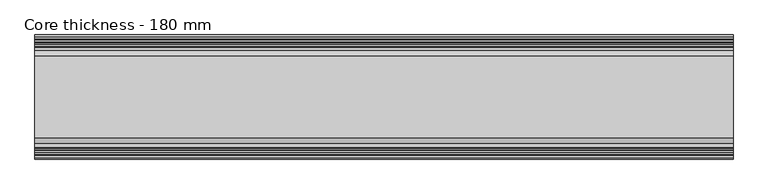
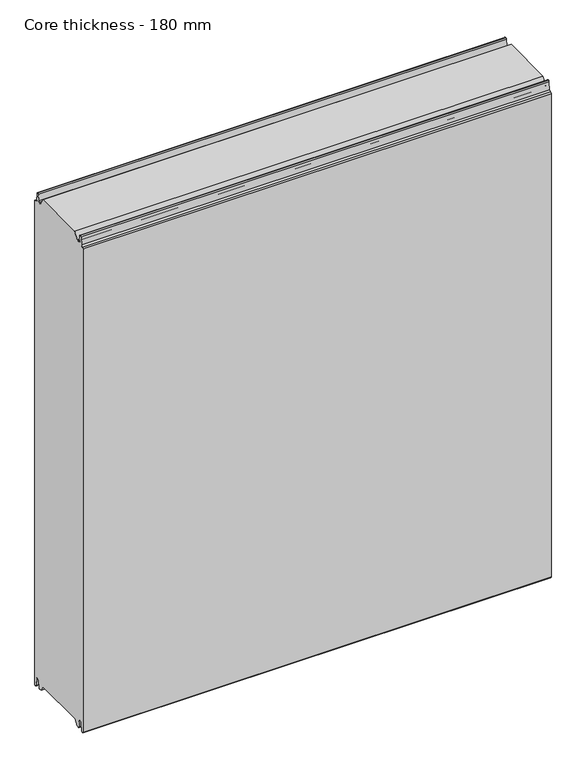
"""IFC4 building model written with IfcOpenShell, lengths in millimetres: plate geometry, Core thickness - 180 mm."""

from ifc_helpers import new_model, si_unit, frame, origin, place, context, project, spatial, polyline, circle_curve, source, transform, mapped, element, save
from ifc_brep_helpers import plane_surface, cylinder_surface, revolved_surface, advanced_brep


def core_thickness_180_mm_a0e70f2c(model_context):
    return source(origin(), model_context, "Body", "AdvancedBrep", [
        advanced_brep(
        [(500.0000002, -149.873448, 15.0417681), (500.0000002, -30.126552, 15.0417681), (500.0000002, -23.4086055, 3.0684055), (500.0000002, -17.4169005, 3.0684055), (500.0000002, -19.6169005, 5.265779), (500.0000002, -18.8169005, 5.265779), (500.0000002, -16.0235822, 5.1291629), (500.0000002, -14.6379549, 19.2608832), (500.0000002, -10.8223285, 22.6899182), (500.0000002, -7.0067021, 19.2608832), (500.0000002, -5.3893281, 2.7656275), (500.0000002, -0.8003051, 2.9900682), (500.0000002, -0.8, 1093.8000005), (500.0000002, -3.3660185, 1096.1942726), (500.0000002, -6.8790665, 1099.1779769), (500.0000002, -8.5415667, 1116.1334653), (500.0000002, -10.8223285, 1118.1999998), (500.0000002, -13.1030903, 1116.1334653), (500.0000002, -14.4357929, 1102.5415123), (500.0000002, -17.0233841, 1100.1952279), (500.0000002, -18.1003051, 1100.1952279), (500.0000002, -18.7003051, 1099.5952279), (500.0000002, -18.7003051, 1098.4952279), (500.0000002, -19.5003051, 1098.4952279), (500.0000002, -19.5003051, 1099.5952279), (500.0000002, -18.1003051, 1100.9952279), (500.0000002, -19.5003051, 1100.9952279), (500.0000002, -23.1062917, 1100.9952279), (500.0000002, -31.1628062, 1115.044651), (500.0000002, -148.7531937, 1115.044651), (500.0000002, -156.8937083, 1100.9952279), (500.0000002, -160.4996949, 1100.9952279), (500.0000002, -161.8996949, 1100.9952279), (500.0000002, -160.4996949, 1099.5952279), (500.0000002, -160.4996949, 1098.4952279), (500.0000002, -161.2996949, 1098.4952279), (500.0000002, -161.2996949, 1099.5952279), (500.0000002, -161.8996949, 1100.1952279), (500.0000002, -162.9766159, 1100.1952279), (500.0000002, -165.5642071, 1102.5415123), (500.0000002, -166.8969097, 1116.1334653), (500.0000002, -169.1776715, 1118.1999998), (500.0000002, -171.4584333, 1116.1334653), (500.0000002, -173.1209335, 1099.1779769), (500.0000002, -176.6330399, 1096.2078763), (500.0000002, -179.1996949, 1093.8000005), (500.0000002, -179.2, 2.9900682), (500.0000002, -174.6106719, 2.7656275), (500.0000002, -172.9932979, 19.2608832), (500.0000002, -169.1776715, 22.6899182), (500.0000002, -165.3620451, 19.2608832), (500.0000002, -163.9764178, 5.1291629), (500.0000002, -161.1830995, 5.265779), (500.0000002, -160.3830995, 5.265779), (500.0000002, -162.5830995, 3.065779), (500.0000002, -156.5913945, 3.0684055), (-500.0000002, -156.8937083, 1100.9952279), (-500.0000002, -148.7531937, 1115.044651), (-500.0000002, -31.1628062, 1115.044651), (-500.0000002, -23.1062917, 1100.9952279), (-500.0000002, -19.5003051, 1100.9952279), (-500.0000002, -18.1003051, 1100.9952279), (-500.0000002, -19.5003051, 1099.5952279), (-500.0000002, -19.5003051, 1098.4952279), (-500.0000002, -18.7003051, 1098.4952279), (-500.0000002, -18.7003051, 1099.5952279), (-500.0000002, -18.1003051, 1100.1952279), (-500.0000002, -17.0233841, 1100.1952279), (-500.0000002, -14.4357929, 1102.5415123), (-500.0000002, -13.1030903, 1116.1334653), (-500.0000002, -10.8223285, 1118.1999998), (-500.0000002, -8.5415667, 1116.1334653), (-500.0000002, -6.8790665, 1099.1779769), (-500.0000002, -3.3669601, 1096.2078763), (-500.0000002, -0.8003051, 1093.8000005), (-500.0000002, -0.8, 2.9900682), (-500.0000002, -5.3893281, 2.7656275), (-500.0000002, -7.0067021, 19.2608832), (-500.0000002, -10.8223285, 22.6899182), (-500.0000002, -14.6379549, 19.2608832), (-500.0000002, -16.0235822, 5.1291629), (-500.0000002, -18.8169005, 5.265779), (-500.0000002, -19.6169005, 5.265779), (-500.0000002, -17.4169005, 3.065779), (-500.0000002, -23.4086055, 3.0684055), (-500.0000002, -30.126552, 15.0417681), (-500.0000002, -149.873448, 15.0417681), (-500.0000002, -156.5913945, 3.0684055), (-500.0000002, -162.5830995, 3.0684055), (-500.0000002, -160.3830995, 5.265779), (-500.0000002, -161.1830995, 5.265779), (-500.0000002, -163.9764178, 5.1291629), (-500.0000002, -165.3620451, 19.2608832), (-500.0000002, -169.1776715, 22.6899182), (-500.0000002, -172.9932979, 19.2608832), (-500.0000002, -174.6106719, 2.7656275), (-500.0000002, -179.1996949, 2.9900682), (-500.0000002, -179.2, 1093.8000005), (-500.0000002, -176.6339815, 1096.1942726), (-500.0000002, -173.1209335, 1099.1779769), (-500.0000002, -171.4584333, 1116.1334653), (-500.0000002, -169.1776715, 1118.1999998), (-500.0000002, -166.8969097, 1116.1334653), (-500.0000002, -165.5642071, 1102.5415123), (-500.0000002, -162.9766159, 1100.1952279), (-500.0000002, -161.8996949, 1100.1952279), (-500.0000002, -161.2996949, 1099.5952279), (-500.0000002, -161.2996949, 1098.4952279), (-500.0000002, -160.4996949, 1098.4952279), (-500.0000002, -160.4996949, 1099.5952279), (-500.0000002, -161.8996949, 1100.9952279), (-500.0000002, -160.4996949, 1100.9952279)],
        [
            (0, 1),
            (1, 2),
            (2, 3),
            (3, 4, circle_curve(frame((500.0000002, -17.4169005, 5.265779), z_axis=(-1.0, 0.0, 0.0), x_axis=(0.0, 0.0, -1.0)), 2.2)),
            (4, 5),
            (5, 6, circle_curve(frame((500.0000002, -17.4169005, 5.265779), z_axis=(1.0, 0.0, 0.0), x_axis=(0.0, 0.0, -1.0)), 1.4)),
            (6, 7),
            (7, 8, circle_curve(frame((500.0000002, -10.8560907, 18.8900682), z_axis=(-1.0, 0.0, 0.0), x_axis=(0.0, 0.0, -1.0)), 3.8)),
            (8, 9, circle_curve(frame((500.0000002, -10.7885662, 18.8900682), z_axis=(-1.0, 0.0, 0.0), x_axis=(0.0, 0.0, -1.0)), 3.8)),
            (9, 10),
            (10, 11, circle_curve(frame((500.0000002, -3.1003051, 2.9900682), z_axis=(1.0, 0.0, 0.0), x_axis=(0.0, 0.0, -1.0)), 2.3)),
            (11, 12),
            (12, 13, circle_curve(frame((500.0000002, -3.2003051, 1093.8000005), z_axis=(1.0, 0.0, 0.0), x_axis=(0.0, 0.0, -1.0)), 2.4)),
            (13, 14, circle_curve(frame((500.0000002, -3.5948161, 1099.5000005), z_axis=(-1.0, 0.0, 0.0), x_axis=(0.0, 0.0, -1.0)), 3.3)),
            (14, 15),
            (15, 16, circle_curve(frame((500.0000002, -10.8206374, 1115.9100005), z_axis=(1.0, 0.0, 0.0), x_axis=(0.0, 0.0, -1.0)), 2.29)),
            (16, 17, circle_curve(frame((500.0000002, -10.8240195, 1115.9100005), z_axis=(1.0, 0.0, 0.0), x_axis=(0.0, 0.0, -1.0)), 2.29)),
            (17, 18),
            (18, 19, circle_curve(frame((500.0000002, -17.0233841, 1102.7952279), z_axis=(-1.0, 0.0, 0.0), x_axis=(0.0, 0.0, -1.0)), 2.6)),
            (19, 20),
            (20, 21, circle_curve(frame((500.0000002, -18.1003051, 1099.5952279), z_axis=(1.0, 0.0, 0.0), x_axis=(0.0, 0.0, -1.0)), 0.6)),
            (21, 22),
            (22, 23),
            (23, 24),
            (24, 25, circle_curve(frame((500.0000002, -18.1003051, 1099.5952279), z_axis=(-1.0, 0.0, 0.0), x_axis=(0.0, 0.0, -1.0)), 1.4)),
            (25, 26),
            (26, 27),
            (27, 28),
            (28, 29),
            (29, 30),
            (30, 31),
            (31, 32),
            (32, 33, circle_curve(frame((500.0000002, -161.8996949, 1099.5952279), z_axis=(-1.0, 0.0, 0.0), x_axis=(0.0, 0.0, -1.0)), 1.4)),
            (33, 34),
            (34, 35),
            (35, 36),
            (36, 37, circle_curve(frame((500.0000002, -161.8996949, 1099.5952279), z_axis=(1.0, 0.0, 0.0), x_axis=(0.0, 0.0, -1.0)), 0.6)),
            (37, 38),
            (38, 39, circle_curve(frame((500.0000002, -162.9766159, 1102.7952279), z_axis=(-1.0, 0.0, 0.0), x_axis=(0.0, 0.0, -1.0)), 2.6)),
            (39, 40),
            (40, 41, circle_curve(frame((500.0000002, -169.1759805, 1115.9100005), z_axis=(1.0, 0.0, 0.0), x_axis=(0.0, 0.0, -1.0)), 2.29)),
            (41, 42, circle_curve(frame((500.0000002, -169.1793626, 1115.9100005), z_axis=(1.0, 0.0, 0.0), x_axis=(0.0, 0.0, -1.0)), 2.29)),
            (42, 43),
            (43, 44, circle_curve(frame((500.0000002, -176.4051839, 1099.5000005), z_axis=(-1.0, 0.0, 0.0), x_axis=(0.0, 0.0, -1.0)), 3.3)),
            (44, 45, circle_curve(frame((500.0000002, -176.7996949, 1093.8000005), z_axis=(1.0, 0.0, 0.0), x_axis=(0.0, 0.0, -1.0)), 2.4)),
            (45, 46),
            (46, 47, circle_curve(frame((500.0000002, -176.8996949, 2.9900682), z_axis=(1.0, 0.0, 0.0), x_axis=(0.0, 0.0, -1.0)), 2.3)),
            (47, 48),
            (48, 49, circle_curve(frame((500.0000002, -169.2114338, 18.8900682), z_axis=(-1.0, 0.0, 0.0), x_axis=(0.0, 0.0, -1.0)), 3.8)),
            (49, 50, circle_curve(frame((500.0000002, -169.1439093, 18.8900682), z_axis=(-1.0, 0.0, 0.0), x_axis=(0.0, 0.0, -1.0)), 3.8)),
            (50, 51),
            (51, 52, circle_curve(frame((500.0000002, -162.5830995, 5.265779), z_axis=(1.0, 0.0, 0.0), x_axis=(0.0, 0.0, -1.0)), 1.4)),
            (52, 53),
            (53, 54, circle_curve(frame((500.0000002, -162.5830995, 5.265779), z_axis=(-1.0, 0.0, 0.0), x_axis=(0.0, 0.0, -1.0)), 2.2)),
            (54, 55),
            (55, 0),
            (56, 57),
            (57, 58),
            (58, 59),
            (59, 60),
            (60, 61),
            (61, 62, circle_curve(frame((-500.0000002, -18.1003051, 1099.5952279), z_axis=(1.0, 0.0, 0.0), x_axis=(0.0, 0.0, -1.0)), 1.4)),
            (62, 63),
            (63, 64),
            (64, 65),
            (65, 66, circle_curve(frame((-500.0000002, -18.1003051, 1099.5952279), z_axis=(-1.0, 0.0, 0.0), x_axis=(0.0, 0.0, -1.0)), 0.6)),
            (66, 67),
            (67, 68, circle_curve(frame((-500.0000002, -17.0233841, 1102.7952279), z_axis=(1.0, 0.0, 0.0), x_axis=(0.0, 0.0, -1.0)), 2.6)),
            (68, 69),
            (69, 70, circle_curve(frame((-500.0000002, -10.8240195, 1115.9100005), z_axis=(-1.0, 0.0, 0.0), x_axis=(0.0, 0.0, -1.0)), 2.29)),
            (70, 71, circle_curve(frame((-500.0000002, -10.8206374, 1115.9100005), z_axis=(-1.0, 0.0, 0.0), x_axis=(0.0, 0.0, -1.0)), 2.29)),
            (71, 72),
            (72, 73, circle_curve(frame((-500.0000002, -3.5948161, 1099.5000005), z_axis=(1.0, 0.0, 0.0), x_axis=(0.0, 0.0, -1.0)), 3.3)),
            (73, 74, circle_curve(frame((-500.0000002, -3.2003051, 1093.8000005), z_axis=(-1.0, 0.0, 0.0), x_axis=(0.0, 0.0, -1.0)), 2.4)),
            (74, 75),
            (75, 76, circle_curve(frame((-500.0000002, -3.1003051, 2.9900682), z_axis=(-1.0, 0.0, 0.0), x_axis=(0.0, 0.0, -1.0)), 2.3)),
            (76, 77),
            (77, 78, circle_curve(frame((-500.0000002, -10.7885662, 18.8900682), z_axis=(1.0, 0.0, 0.0), x_axis=(0.0, 0.0, -1.0)), 3.8)),
            (78, 79, circle_curve(frame((-500.0000002, -10.8560907, 18.8900682), z_axis=(1.0, 0.0, 0.0), x_axis=(0.0, 0.0, -1.0)), 3.8)),
            (79, 80),
            (80, 81, circle_curve(frame((-500.0000002, -17.4169005, 5.265779), z_axis=(-1.0, 0.0, 0.0), x_axis=(0.0, 0.0, -1.0)), 1.4)),
            (81, 82),
            (82, 83, circle_curve(frame((-500.0000002, -17.4169005, 5.265779), z_axis=(1.0, 0.0, 0.0), x_axis=(0.0, 0.0, -1.0)), 2.2)),
            (83, 84),
            (84, 85),
            (85, 86),
            (86, 87),
            (87, 88),
            (88, 89, circle_curve(frame((-500.0000002, -162.5830995, 5.265779), z_axis=(1.0, 0.0, 0.0), x_axis=(0.0, 0.0, -1.0)), 2.2)),
            (89, 90),
            (90, 91, circle_curve(frame((-500.0000002, -162.5830995, 5.265779), z_axis=(-1.0, 0.0, 0.0), x_axis=(0.0, 0.0, -1.0)), 1.4)),
            (91, 92),
            (92, 93, circle_curve(frame((-500.0000002, -169.1439093, 18.8900682), z_axis=(1.0, 0.0, 0.0), x_axis=(0.0, 0.0, -1.0)), 3.8)),
            (93, 94, circle_curve(frame((-500.0000002, -169.2114338, 18.8900682), z_axis=(1.0, 0.0, 0.0), x_axis=(0.0, 0.0, -1.0)), 3.8)),
            (94, 95),
            (95, 96, circle_curve(frame((-500.0000002, -176.8996949, 2.9900682), z_axis=(-1.0, 0.0, 0.0), x_axis=(0.0, 0.0, -1.0)), 2.3)),
            (96, 97),
            (97, 98, circle_curve(frame((-500.0000002, -176.7996949, 1093.8000005), z_axis=(-1.0, 0.0, 0.0), x_axis=(0.0, 0.0, -1.0)), 2.4)),
            (98, 99, circle_curve(frame((-500.0000002, -176.4051839, 1099.5000005), z_axis=(1.0, 0.0, 0.0), x_axis=(0.0, 0.0, -1.0)), 3.3)),
            (99, 100),
            (100, 101, circle_curve(frame((-500.0000002, -169.1793626, 1115.9100005), z_axis=(-1.0, 0.0, 0.0), x_axis=(0.0, 0.0, -1.0)), 2.29)),
            (101, 102, circle_curve(frame((-500.0000002, -169.1759805, 1115.9100005), z_axis=(-1.0, 0.0, 0.0), x_axis=(0.0, 0.0, -1.0)), 2.29)),
            (102, 103),
            (103, 104, circle_curve(frame((-500.0000002, -162.9766159, 1102.7952279), z_axis=(1.0, 0.0, 0.0), x_axis=(0.0, 0.0, -1.0)), 2.6)),
            (104, 105),
            (105, 106, circle_curve(frame((-500.0000002, -161.8996949, 1099.5952279), z_axis=(-1.0, 0.0, 0.0), x_axis=(0.0, 0.0, -1.0)), 0.6)),
            (106, 107),
            (107, 108),
            (108, 109),
            (109, 110, circle_curve(frame((-500.0000002, -161.8996949, 1099.5952279), z_axis=(1.0, 0.0, 0.0), x_axis=(0.0, 0.0, -1.0)), 1.4)),
            (110, 111),
            (111, 56),
            (30, 56),
            (110, 32),
            (29, 57),
            (28, 58),
            (27, 59),
            (25, 61),
            (1, 85),
            (84, 2),
            (0, 86),
            (55, 87),
            (83, 3),
            (54, 88),
            (109, 33),
            (108, 34),
            (107, 35),
            (106, 36),
            (105, 37),
            (104, 38),
            (103, 39),
            (102, 40),
            (101, 41),
            (100, 42),
            (99, 43),
            (98, 44),
            (97, 45),
            (96, 46),
            (95, 47),
            (94, 48),
            (93, 49),
            (92, 50),
            (91, 51),
            (90, 52),
            (89, 53),
            (74, 12),
            (11, 75),
            (73, 13),
            (72, 14),
            (71, 15),
            (70, 16),
            (69, 17),
            (68, 18),
            (67, 19),
            (66, 20),
            (65, 21),
            (64, 22),
            (63, 23),
            (62, 24),
            (82, 4),
            (81, 5),
            (80, 6),
            (79, 7),
            (78, 8),
            (77, 9),
            (76, 10),
        ],
        [
            plane_surface(frame((500.0000002, 0.0, 0.0), z_axis=(1.0, 0.0, 0.0), x_axis=(0.0, -1.0, 0.0))),
            plane_surface(frame((-500.0000002, 0.0, 0.0), z_axis=(-1.0, 0.0, 0.0), x_axis=(0.0, -1.0, 0.0))),
            plane_surface(frame((500.0000002, -156.8937083, 1100.9952279), z_axis=(0.0, 0.0, 1.0), x_axis=(-1.0, 0.0, 0.0))),
            plane_surface(frame((500.0000002, -148.7531937, 1115.044651), z_axis=(0.0, -0.8652489672717159, 0.5013424225369615), x_axis=(-1.0, 0.0, 0.0))),
            plane_surface(frame((500.0000002, -31.1628062, 1115.044651), z_axis=(0.0, 0.0, 1.0), x_axis=(-1.0, 0.0, 0.0))),
            plane_surface(frame((500.0000002, -23.1062917, 1100.9952279), z_axis=(0.0, 0.8674901459133322, 0.4974543664933155), x_axis=(-1.0, 0.0, 0.0))),
            plane_surface(frame((500.0000002, -17.0229218, 1100.9952279), z_axis=(0.0, 0.0, 1.0), x_axis=(-1.0, 0.0, 0.0))),
            plane_surface(frame((500.0000002, -30.126552, 15.0417681), z_axis=(0.0, -0.8721062992196836, -0.4893164649399687), x_axis=(-1.0, 0.0, 0.0))),
            plane_surface(frame((500.0000002, -149.873448, 15.0417681), z_axis=(0.0, 0.0, -1.0), x_axis=(-1.0, 0.0, 0.0))),
            plane_surface(frame((500.0000002, -156.8190247, 2.6627014), z_axis=(0.0, 0.8721062992196852, -0.48931646493996606), x_axis=(-1.0, 0.0, 0.0))),
            plane_surface(frame((-500.0000002, -162.5830995, 3.0684055), z_axis=(0.0, 0.0, -1.0), x_axis=(1.0, 0.0, 0.0))),
            revolved_surface(polyline([(500.0000002, -161.8996949, 1098.1952279), (-500.00000020000004, -161.8996949, 1098.1952279)]), (630.0000002, -161.8996949, 1099.5952279), (1.0, 0.0, 0.0)),
            plane_surface(frame((630.0000002, -160.4996949, 1098.4952279), z_axis=(0.0, -1.0, 0.0), x_axis=(-1.0, 0.0, 0.0))),
            plane_surface(frame((630.0000002, -161.2996949, 1098.4952279), z_axis=(0.0, 0.0, 1.0), x_axis=(-1.0, 0.0, 0.0))),
            plane_surface(frame((630.0000002, -161.2996949, 1099.5952279), z_axis=(0.0, 1.0, 0.0), x_axis=(-1.0, 0.0, 0.0))),
            cylinder_surface(frame((630.0000002, -161.8996949, 1099.5952279), z_axis=(-1.0, 0.0, 0.0), x_axis=(0.0, 0.0, -1.0)), 0.6),
            plane_surface(frame((630.0000002, -162.9766159, 1100.1952279), z_axis=(0.0, 0.0, 1.0), x_axis=(-1.0, 0.0, 0.0))),
            revolved_surface(polyline([(500.0000002, -162.9766159, 1100.1952279000002), (-500.00000020000004, -162.9766159, 1100.1952279000002)]), (630.0000002, -162.9766159, 1102.7952279), (1.0, 0.0, 0.0)),
            plane_surface(frame((630.0000002, -166.8969097, 1116.1334653), z_axis=(0.0, 0.9952273999818314, 0.09758289975914705), x_axis=(-1.0, 0.0, 0.0))),
            cylinder_surface(frame((630.0000002, -169.1759805, 1115.9100005), z_axis=(-1.0, 0.0, 0.0), x_axis=(0.0, 0.0, -1.0)), 2.29),
            cylinder_surface(frame((630.0000002, -169.1793626, 1115.9100005), z_axis=(-1.0, 0.0, 0.0), x_axis=(0.0, 0.0, -1.0)), 2.29),
            plane_surface(frame((630.0000002, -173.1209335, 1099.1779769), z_axis=(0.0, -0.9952273999818317, 0.09758289975914436), x_axis=(-1.0, 0.0, 0.0))),
            revolved_surface(polyline([(500.0000002, -176.4051839, 1096.2000005), (-500.00000020000004, -176.4051839, 1096.2000005)]), (630.0000002, -176.4051839, 1099.5000005), (1.0, 0.0, 0.0)),
            cylinder_surface(frame((630.0000002, -176.7996949, 1093.8000005), z_axis=(-1.0, 0.0, 0.0), x_axis=(0.0, 0.0, -1.0)), 2.4),
            plane_surface(frame((630.0000002, -179.2, 2.9900682), z_axis=(0.0, -1.0, 0.0), x_axis=(-1.0, 0.0, 0.0))),
            cylinder_surface(frame((630.0000002, -176.8996949, 2.9900682), z_axis=(-1.0, 0.0, 0.0), x_axis=(0.0, 0.0, -1.0)), 2.3),
            plane_surface(frame((630.0000002, -172.9932979, 19.2608832), z_axis=(0.0, 0.9952273999818314, -0.09758289975914787), x_axis=(-1.0, 0.0, 0.0))),
            revolved_surface(polyline([(500.0000002, -169.2114338, 15.090068200000001), (-500.00000020000004, -169.2114338, 15.090068200000001)]), (630.0000002, -169.2114338, 18.8900682), (1.0, 0.0, 0.0)),
            revolved_surface(polyline([(500.0000002, -169.1439093, 15.090068200000001), (-500.00000020000004, -169.1439093, 15.090068200000001)]), (630.0000002, -169.1439093, 18.8900682), (1.0, 0.0, 0.0)),
            plane_surface(frame((630.0000002, -163.9764178, 5.1291629), z_axis=(0.0, -0.9952273999818297, -0.09758289975916531), x_axis=(-1.0, 0.0, 0.0))),
            cylinder_surface(frame((630.0000002, -162.5830995, 5.265779), z_axis=(-1.0, 0.0, 0.0), x_axis=(0.0, 0.0, -1.0)), 1.4),
            plane_surface(frame((630.0000002, -160.3830995, 5.265779), z_axis=(0.0, 0.0, -1.0), x_axis=(-1.0, 0.0, 0.0))),
            revolved_surface(polyline([(500.0000002, -162.5830995, 3.065779), (-500.00000020000004, -162.5830995, 3.065779)]), (630.0000002, -162.5830995, 5.265779), (1.0, 0.0, 0.0)),
            plane_surface(frame((630.0000002, -0.8, 1093.8000005), z_axis=(0.0, 1.0, 0.0), x_axis=(-1.0, 0.0, 0.0))),
            cylinder_surface(frame((630.0000002, -3.2003051, 1093.8000005), z_axis=(-1.0, 0.0, 0.0), x_axis=(0.0, 0.0, -1.0)), 2.4),
            revolved_surface(polyline([(500.0000002, -3.5948161, 1096.2000005), (-500.00000020000004, -3.5948161, 1096.2000005)]), (630.0000002, -3.5948161, 1099.5000005), (1.0, 0.0, 0.0)),
            plane_surface(frame((630.0000002, -8.5415667, 1116.1334653), z_axis=(0.0, 0.9952273999818317, 0.09758289975914436), x_axis=(-1.0, 0.0, 0.0))),
            cylinder_surface(frame((630.0000002, -10.8206374, 1115.9100005), z_axis=(-1.0, 0.0, 0.0), x_axis=(0.0, 0.0, -1.0)), 2.29),
            cylinder_surface(frame((630.0000002, -10.8240195, 1115.9100005), z_axis=(-1.0, 0.0, 0.0), x_axis=(0.0, 0.0, -1.0)), 2.29),
            plane_surface(frame((630.0000002, -14.4357929, 1102.5415123), z_axis=(0.0, -0.9952273999818314, 0.09758289975914705), x_axis=(-1.0, 0.0, 0.0))),
            revolved_surface(polyline([(500.0000002, -17.0233841, 1100.1952279000002), (-500.00000020000004, -17.0233841, 1100.1952279000002)]), (630.0000002, -17.0233841, 1102.7952279), (1.0, 0.0, 0.0)),
            plane_surface(frame((630.0000002, -18.1003051, 1100.1952279), z_axis=(0.0, 0.0, 1.0), x_axis=(-1.0, 0.0, 0.0))),
            cylinder_surface(frame((630.0000002, -18.1003051, 1099.5952279), z_axis=(-1.0, 0.0, 0.0), x_axis=(0.0, 0.0, -1.0)), 0.6),
            plane_surface(frame((630.0000002, -18.7003051, 1098.4952279), z_axis=(0.0, -1.0, 0.0), x_axis=(-1.0, 0.0, 0.0))),
            plane_surface(frame((630.0000002, -19.5003051, 1098.4952279), z_axis=(0.0, 0.0, 1.0), x_axis=(-1.0, 0.0, 0.0))),
            plane_surface(frame((630.0000002, -19.5003051, 1099.5952279), z_axis=(0.0, 1.0, 0.0), x_axis=(-1.0, 0.0, 0.0))),
            revolved_surface(polyline([(500.0000002, -18.1003051, 1098.1952279), (-500.00000020000004, -18.1003051, 1098.1952279)]), (630.0000002, -18.1003051, 1099.5952279), (1.0, 0.0, 0.0)),
            revolved_surface(polyline([(500.0000002, -17.4169005, 3.065779), (-500.00000020000004, -17.4169005, 3.065779)]), (630.0000002, -17.4169005, 5.265779), (1.0, 0.0, 0.0)),
            plane_surface(frame((630.0000002, -18.8169005, 5.265779), z_axis=(0.0, 0.0, -1.0), x_axis=(-1.0, 0.0, 0.0))),
            cylinder_surface(frame((630.0000002, -17.4169005, 5.265779), z_axis=(-1.0, 0.0, 0.0), x_axis=(0.0, 0.0, -1.0)), 1.4),
            plane_surface(frame((630.0000002, -14.6379549, 19.2608832), z_axis=(0.0, 0.9952273999818297, -0.09758289975916531), x_axis=(-1.0, 0.0, 0.0))),
            revolved_surface(polyline([(500.0000002, -10.8560907, 15.090068200000001), (-500.00000020000004, -10.8560907, 15.090068200000001)]), (630.0000002, -10.8560907, 18.8900682), (1.0, 0.0, 0.0)),
            revolved_surface(polyline([(500.0000002, -10.7885662, 15.090068200000001), (-500.00000020000004, -10.7885662, 15.090068200000001)]), (630.0000002, -10.7885662, 18.8900682), (1.0, 0.0, 0.0)),
            plane_surface(frame((630.0000002, -5.3893281, 2.7656275), z_axis=(0.0, -0.9952273999818314, -0.09758289975914787), x_axis=(-1.0, 0.0, 0.0))),
            cylinder_surface(frame((630.0000002, -3.1003051, 2.9900682), z_axis=(-1.0, 0.0, 0.0), x_axis=(0.0, 0.0, -1.0)), 2.3),
        ],
        [
            (0, [[1, 2, 3, 4, 5, 6, 7, 8, 9, 10, 11, 12, 13, 14, 15, 16, 17, 18, 19, 20, 21, 22, 23, 24, 25, 26, 27, 28, 29, 30, 31, 32, 33, 34, 35, 36, 37, 38, 39, 40, 41, 42, 43, 44, 45, 46, 47, 48, 49, 50, 51, 52, 53, 54, 55, 56]]),
            (1, [[57, 58, 59, 60, 61, 62, 63, 64, 65, 66, 67, 68, 69, 70, 71, 72, 73, 74, 75, 76, 77, 78, 79, 80, 81, 82, 83, 84, 85, 86, 87, 88, 89, 90, 91, 92, 93, 94, 95, 96, 97, 98, 99, 100, 101, 102, 103, 104, 105, 106, 107, 108, 109, 110, 111, 112]]),
            (2, [[113, -112, -111, 114, -32, -31]]),
            (3, [[-30, 115, -57, -113]]),
            (4, [[-29, 116, -58, -115]]),
            (5, [[-28, 117, -59, -116]]),
            (6, [[-117, -27, -26, 118, -61, -60]]),
            (7, [[119, -85, 120, -2]]),
            (8, [[-1, 121, -86, -119]]),
            (9, [[-121, -56, 122, -87]]),
            (10, [[-3, -120, -84, 123]]),
            (10, [[-55, 124, -88, -122]]),
            (11, [[125, -33, -114, -110]]),
            (12, [[-125, -109, 126, -34]]),
            (13, [[-126, -108, 127, -35]]),
            (14, [[-127, -107, 128, -36]]),
            (15, [[-128, -106, 129, -37]]),
            (16, [[-129, -105, 130, -38]]),
            (17, [[-130, -104, 131, -39]]),
            (18, [[-131, -103, 132, -40]]),
            (19, [[-132, -102, 133, -41]]),
            (20, [[-133, -101, 134, -42]]),
            (21, [[-134, -100, 135, -43]]),
            (22, [[-135, -99, 136, -44]]),
            (23, [[-136, -98, 137, -45]]),
            (24, [[-137, -97, 138, -46]]),
            (25, [[-138, -96, 139, -47]]),
            (26, [[-139, -95, 140, -48]]),
            (27, [[-140, -94, 141, -49]]),
            (28, [[-141, -93, 142, -50]]),
            (29, [[-142, -92, 143, -51]]),
            (30, [[-143, -91, 144, -52]]),
            (31, [[-144, -90, 145, -53]]),
            (32, [[-145, -89, -124, -54]]),
            (33, [[146, -12, 147, -75]]),
            (34, [[-146, -74, 148, -13]]),
            (35, [[-148, -73, 149, -14]]),
            (36, [[-149, -72, 150, -15]]),
            (37, [[-150, -71, 151, -16]]),
            (38, [[-151, -70, 152, -17]]),
            (39, [[-152, -69, 153, -18]]),
            (40, [[-153, -68, 154, -19]]),
            (41, [[-154, -67, 155, -20]]),
            (42, [[-155, -66, 156, -21]]),
            (43, [[-156, -65, 157, -22]]),
            (44, [[-157, -64, 158, -23]]),
            (45, [[-158, -63, 159, -24]]),
            (46, [[-159, -62, -118, -25]]),
            (47, [[160, -4, -123, -83]]),
            (48, [[-160, -82, 161, -5]]),
            (49, [[-161, -81, 162, -6]]),
            (50, [[-162, -80, 163, -7]]),
            (51, [[-163, -79, 164, -8]]),
            (52, [[-164, -78, 165, -9]]),
            (53, [[-165, -77, 166, -10]]),
            (54, [[-166, -76, -147, -11]]),
        ],
    ),
    ])


if __name__ == "__main__":
    model = new_model("IFC4")
    model_context = context("Model", 3, world=origin())
    ifc_project = project(units=[si_unit("LENGTHUNIT", "METRE", prefix="MILLI")], contexts=[model_context])
    site = spatial("IfcSite", under=ifc_project)
    building = spatial("IfcBuilding", under=site)
    placement = place(None, origin())
    core_thickness_180_mm_shape = core_thickness_180_mm_a0e70f2c(model_context)
    element("IfcPlate", 1, ObjectType="Core thickness - 180 mm", at=placement, inside=building, context=model_context, shape_type="MappedRepresentation", body=[
        mapped(core_thickness_180_mm_shape, transform((0.0, 0.0, 0.0), x_axis=(1.0, 0.0, 0.0), y_axis=(0.0, 1.0, 0.0), z_axis=(0.0, 0.0, 1.0))),
    ])
    save(model, "model.ifc")
